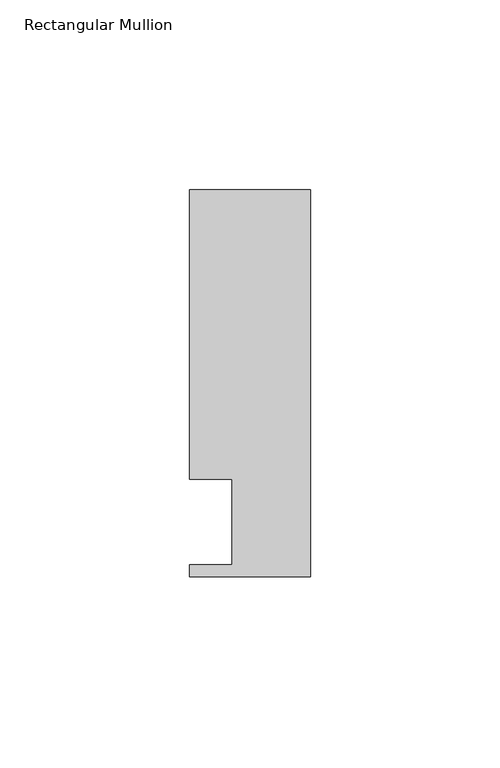
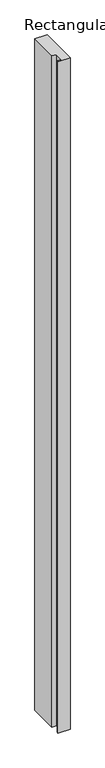
"""IFC4 building model written with IfcOpenShell, lengths in millimetres: member geometry, Rectangular Mullion."""

from ifc_helpers import new_model, si_unit, frame, origin, place, context, project, spatial, polyline, outline, extrude, source, transform, mapped, element, save


def rectangular_mullion_d44daa41(model_context):
    return source(origin(), model_context, "Body", "SweptSolid", [
        extrude(outline(polyline([(-31.7484832, 12.6444375), (-31.7484832, 15.8194375), (-20.6375, 15.8194375), (-20.6375, 38.2984375), (-31.7484832, 38.2984375), (-31.7484832, 114.4984375), (0.0, 114.4984375), (0.0, 12.6444375), (-31.7484832, 12.6444375)])), frame((0.0, 0.0, -1828.8), z_axis=(0.0, 0.0, 1.0), x_axis=(1.0, 0.0, 0.0)), (0.0, 0.0, 1.0), 1828.8),
    ])


if __name__ == "__main__":
    model = new_model("IFC4")
    model_context = context("Model", 3, world=origin())
    ifc_project = project(units=[si_unit("LENGTHUNIT", "METRE", prefix="MILLI")], contexts=[model_context])
    site = spatial("IfcSite", under=ifc_project)
    building = spatial("IfcBuilding", under=site)
    placement = place(None, origin())
    rectangular_mullion_shape = rectangular_mullion_d44daa41(model_context)
    element("IfcMember", 1, ObjectType="Rectangular Mullion", at=placement, inside=building, context=model_context, shape_type="MappedRepresentation", body=[
        mapped(rectangular_mullion_shape, transform((0.0, 0.0, 0.0), x_axis=(1.0, 0.0, 0.0), y_axis=(0.0, 1.0, 0.0), z_axis=(0.0, 0.0, 1.0))),
    ])
    save(model, "model.ifc")
